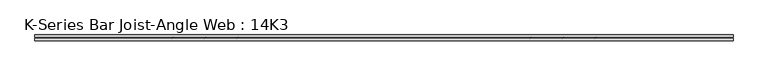
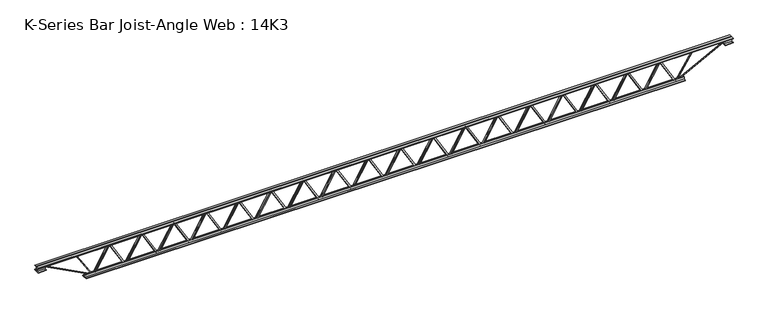
"""IFC4 building model written with IfcOpenShell, lengths in millimetres: beam geometry, K-Series Bar Joist-Angle Web : 14K3."""

from ifc_helpers import new_model, si_unit, frame, origin, place, context, project, spatial, polyline, outline, extrude, faceted_brep, source, transform, mapped, element, save


def k_series_bar_joist_angle_web_14k3_23b7da4c(model_context):
    return source(origin(), model_context, "Body", "SolidModel", [
        extrude(outline(polyline([(-4.7625, 4.7625), (-4.7625, 0.0), (-17.4625, 0.0), (-17.4625, 4.7625), (-4.7625, 4.7625)])), frame((3264.7998926, 0.0, -139.7), z_axis=(-0.5054178199650446, 0.0, 0.8628747459867984), x_axis=(0.0, -1.0, 0.0)), (0.0, 0.0, 1.0), 323.8013412),
        extrude(outline(polyline([(-174.625, 3297.066299), (-155.575, 3297.066299), (-155.575, 3296.1758345), (174.625, 3102.7654178), (174.625, 3084.6058824), (155.575, 3084.6058824), (155.575, 3091.8463469), (-174.625, 3285.2567636), (-174.625, 3297.066299)])), frame((0.0, 0.0, 0.0), z_axis=(0.0, 1.0, 0.0), x_axis=(0.0, 0.0, 1.0)), (0.0, 0.0, 1.0), 4.7625),
        faceted_brep([(2884.8454657, 0.0, -155.575), (2884.8454657, 0.0, -174.625), (2884.8454657, -4.7625, -174.625), (2884.8454657, -4.7625, -155.575), (2885.7359302, 0.0, -155.575), (3079.1463469, 0.0, 174.625), (3097.3058824, 0.0, 174.625), (3097.3058824, 0.0, 155.575), (3090.0654178, 0.0, 155.575), (2896.6550011, 0.0, -174.625), (2896.6550011, -4.7625, -174.625), (2917.1118721, -4.7625, -139.7), (2913.0024312, -4.7625, -137.2929476), (3076.6573991, -4.7625, 142.1070524), (3080.7668401, -4.7625, 139.7), (3090.0654178, -4.7625, 155.575), (3097.3058824, -4.7625, 155.575), (3097.3058824, -4.7625, 174.625), (3079.1463469, -4.7625, 174.625), (2885.7359302, -4.7625, -155.575), (3080.7668401, -17.4625, 139.7), (2917.1118721, -17.4625, -139.7), (2913.0024312, -17.4625, -137.2929476), (3076.6573991, -17.4625, 142.1070524)], [[[0, 1, 2, 3]], [[1, 0, 4, 5, 6, 7, 8, 9]], [[2, 1, 9, 10]], [[3, 2, 10, 11, 12, 13, 14, 15, 16, 17, 18, 19]], [[0, 3, 19, 4]], [[9, 8, 15, 14, 20, 21, 11, 10]], [[5, 4, 19, 18]], [[7, 6, 17, 16]], [[8, 7, 16, 15]], [[6, 5, 18, 17]], [[21, 22, 12, 11]], [[20, 14, 13, 23]], [[22, 21, 20, 23]], [[12, 22, 23, 13]]]),
        extrude(outline(polyline([(-4.7625, 4.7625), (-4.7625, 0.0), (-17.4625, 0.0), (-17.4625, 4.7625), (-4.7625, 4.7625)])), frame((2852.6724416, 0.0, -139.7), z_axis=(-0.5054178199650446, 0.0, 0.8628747459867984), x_axis=(0.0, -1.0, 0.0)), (0.0, 0.0, 1.0), 323.8013412),
        extrude(outline(polyline([(-174.625, 2884.938848), (-155.575, 2884.938848), (-155.575, 2884.0483835), (174.625, 2690.6379668), (174.625, 2672.4784314), (155.575, 2672.4784314), (155.575, 2679.7188959), (-174.625, 2873.1293126), (-174.625, 2884.938848)])), frame((0.0, 0.0, 0.0), z_axis=(0.0, 1.0, 0.0), x_axis=(0.0, 0.0, 1.0)), (0.0, 0.0, 1.0), 4.7625),
        faceted_brep([(2472.7180147, 0.0, -155.575), (2472.7180147, 0.0, -174.625), (2472.7180147, -4.7625, -174.625), (2472.7180147, -4.7625, -155.575), (2473.6084793, 0.0, -155.575), (2667.0188959, 0.0, 174.625), (2685.1784314, 0.0, 174.625), (2685.1784314, 0.0, 155.575), (2677.9379668, 0.0, 155.575), (2484.5275502, 0.0, -174.625), (2484.5275502, -4.7625, -174.625), (2504.9844211, -4.7625, -139.7), (2500.8749802, -4.7625, -137.2929476), (2664.5299481, -4.7625, 142.1070524), (2668.6393891, -4.7625, 139.7), (2677.9379668, -4.7625, 155.575), (2685.1784314, -4.7625, 155.575), (2685.1784314, -4.7625, 174.625), (2667.0188959, -4.7625, 174.625), (2473.6084793, -4.7625, -155.575), (2668.6393891, -17.4625, 139.7), (2504.9844211, -17.4625, -139.7), (2500.8749802, -17.4625, -137.2929476), (2664.5299481, -17.4625, 142.1070524)], [[[0, 1, 2, 3]], [[1, 0, 4, 5, 6, 7, 8, 9]], [[2, 1, 9, 10]], [[3, 2, 10, 11, 12, 13, 14, 15, 16, 17, 18, 19]], [[0, 3, 19, 4]], [[9, 8, 15, 14, 20, 21, 11, 10]], [[5, 4, 19, 18]], [[7, 6, 17, 16]], [[8, 7, 16, 15]], [[6, 5, 18, 17]], [[21, 22, 12, 11]], [[20, 14, 13, 23]], [[22, 21, 20, 23]], [[12, 22, 23, 13]]]),
        extrude(outline(polyline([(-4.7625, 4.7625), (-4.7625, 0.0), (-17.4625, 0.0), (-17.4625, 4.7625), (-4.7625, 4.7625)])), frame((2440.5449906, 0.0, -139.7), z_axis=(-0.5054178199650446, 0.0, 0.8628747459867984), x_axis=(0.0, -1.0, 0.0)), (0.0, 0.0, 1.0), 323.8013412),
        extrude(outline(polyline([(-174.625, 2472.8113971), (-155.575, 2472.8113971), (-155.575, 2471.9209325), (174.625, 2278.5105158), (174.625, 2260.3509804), (155.575, 2260.3509804), (155.575, 2267.5914449), (-174.625, 2461.0018616), (-174.625, 2472.8113971)])), frame((0.0, 0.0, 0.0), z_axis=(0.0, 1.0, 0.0), x_axis=(0.0, 0.0, 1.0)), (0.0, 0.0, 1.0), 4.7625),
        faceted_brep([(2060.5905637, 0.0, -155.575), (2060.5905637, 0.0, -174.625), (2060.5905637, -4.7625, -174.625), (2060.5905637, -4.7625, -155.575), (2061.4810283, 0.0, -155.575), (2254.8914449, 0.0, 174.625), (2273.0509804, 0.0, 174.625), (2273.0509804, 0.0, 155.575), (2265.8105158, 0.0, 155.575), (2072.4000992, 0.0, -174.625), (2072.4000992, -4.7625, -174.625), (2092.8569702, -4.7625, -139.7), (2088.7475292, -4.7625, -137.2929476), (2252.4024971, -4.7625, 142.1070524), (2256.5119381, -4.7625, 139.7), (2265.8105158, -4.7625, 155.575), (2273.0509804, -4.7625, 155.575), (2273.0509804, -4.7625, 174.625), (2254.8914449, -4.7625, 174.625), (2061.4810283, -4.7625, -155.575), (2256.5119381, -17.4625, 139.7), (2092.8569702, -17.4625, -139.7), (2088.7475292, -17.4625, -137.2929476), (2252.4024971, -17.4625, 142.1070524)], [[[0, 1, 2, 3]], [[1, 0, 4, 5, 6, 7, 8, 9]], [[2, 1, 9, 10]], [[3, 2, 10, 11, 12, 13, 14, 15, 16, 17, 18, 19]], [[0, 3, 19, 4]], [[9, 8, 15, 14, 20, 21, 11, 10]], [[5, 4, 19, 18]], [[7, 6, 17, 16]], [[8, 7, 16, 15]], [[6, 5, 18, 17]], [[21, 22, 12, 11]], [[20, 14, 13, 23]], [[22, 21, 20, 23]], [[12, 22, 23, 13]]]),
        extrude(outline(polyline([(-4.7625, 4.7625), (-4.7625, 0.0), (-17.4625, 0.0), (-17.4625, 4.7625), (-4.7625, 4.7625)])), frame((2028.4175396, 0.0, -139.7), z_axis=(-0.5054178199650446, 0.0, 0.8628747459867984), x_axis=(0.0, -1.0, 0.0)), (0.0, 0.0, 1.0), 323.8013412),
        extrude(outline(polyline([(-174.625, 2060.6839461), (-155.575, 2060.6839461), (-155.575, 2059.7934815), (174.625, 1866.3830649), (174.625, 1848.2235294), (155.575, 1848.2235294), (155.575, 1855.463994), (-174.625, 2048.8744106), (-174.625, 2060.6839461)])), frame((0.0, 0.0, 0.0), z_axis=(0.0, 1.0, 0.0), x_axis=(0.0, 0.0, 1.0)), (0.0, 0.0, 1.0), 4.7625),
        faceted_brep([(1648.4631127, 0.0, -155.575), (1648.4631127, 0.0, -174.625), (1648.4631127, -4.7625, -174.625), (1648.4631127, -4.7625, -155.575), (1649.3535773, 0.0, -155.575), (1842.763994, 0.0, 174.625), (1860.9235294, 0.0, 174.625), (1860.9235294, 0.0, 155.575), (1853.6830649, 0.0, 155.575), (1660.2726482, 0.0, -174.625), (1660.2726482, -4.7625, -174.625), (1680.7295192, -4.7625, -139.7), (1676.6200782, -4.7625, -137.2929476), (1840.2750462, -4.7625, 142.1070524), (1844.3844871, -4.7625, 139.7), (1853.6830649, -4.7625, 155.575), (1860.9235294, -4.7625, 155.575), (1860.9235294, -4.7625, 174.625), (1842.763994, -4.7625, 174.625), (1649.3535773, -4.7625, -155.575), (1844.3844871, -17.4625, 139.7), (1680.7295192, -17.4625, -139.7), (1676.6200782, -17.4625, -137.2929476), (1840.2750462, -17.4625, 142.1070524)], [[[0, 1, 2, 3]], [[1, 0, 4, 5, 6, 7, 8, 9]], [[2, 1, 9, 10]], [[3, 2, 10, 11, 12, 13, 14, 15, 16, 17, 18, 19]], [[0, 3, 19, 4]], [[9, 8, 15, 14, 20, 21, 11, 10]], [[5, 4, 19, 18]], [[7, 6, 17, 16]], [[8, 7, 16, 15]], [[6, 5, 18, 17]], [[21, 22, 12, 11]], [[20, 14, 13, 23]], [[22, 21, 20, 23]], [[12, 22, 23, 13]]]),
        extrude(outline(polyline([(-4.7625, 4.7624999), (-4.7625, 0.0), (-17.4625, 0.0), (-17.4625, 4.7624999), (-4.7625, 4.7624999)])), frame((1616.2900887, 0.0, -139.7), z_axis=(-0.5054178199650446, 0.0, 0.8628747459867984), x_axis=(0.0, -1.0, 0.0)), (0.0, 0.0, 1.0), 323.8013412),
        extrude(outline(polyline([(-174.625, 1648.5564951), (-155.575, 1648.5564951), (-155.575, 1647.6660305), (174.625, 1454.2556139), (174.625, 1436.0960784), (155.575, 1436.0960784), (155.575, 1443.336543), (-174.625, 1636.7469596), (-174.625, 1648.5564951)])), frame((0.0, 0.0, 0.0), z_axis=(0.0, 1.0, 0.0), x_axis=(0.0, 0.0, 1.0)), (0.0, 0.0, 1.0), 4.7625),
        faceted_brep([(1236.3356618, 0.0, -155.575), (1236.3356618, 0.0, -174.625), (1236.3356618, -4.7625, -174.625), (1236.3356618, -4.7625, -155.575), (1237.2261263, 0.0, -155.575), (1430.636543, 0.0, 174.625), (1448.7960784, 0.0, 174.625), (1448.7960784, 0.0, 155.575), (1441.5556139, 0.0, 155.575), (1248.1451972, 0.0, -174.625), (1248.1451972, -4.7625, -174.625), (1268.6020682, -4.7625, -139.7), (1264.4926272, -4.7625, -137.2929476), (1428.1475952, -4.7625, 142.1070524), (1432.2570362, -4.7625, 139.7), (1441.5556139, -4.7625, 155.575), (1448.7960784, -4.7625, 155.575), (1448.7960784, -4.7625, 174.625), (1430.636543, -4.7625, 174.625), (1237.2261263, -4.7625, -155.575), (1432.2570362, -17.4625, 139.7), (1268.6020682, -17.4625, -139.7), (1264.4926272, -17.4625, -137.2929476), (1428.1475952, -17.4625, 142.1070524)], [[[0, 1, 2, 3]], [[1, 0, 4, 5, 6, 7, 8, 9]], [[2, 1, 9, 10]], [[3, 2, 10, 11, 12, 13, 14, 15, 16, 17, 18, 19]], [[0, 3, 19, 4]], [[9, 8, 15, 14, 20, 21, 11, 10]], [[5, 4, 19, 18]], [[7, 6, 17, 16]], [[8, 7, 16, 15]], [[6, 5, 18, 17]], [[21, 22, 12, 11]], [[20, 14, 13, 23]], [[22, 21, 20, 23]], [[12, 22, 23, 13]]]),
        extrude(outline(polyline([(-4.7625, 4.7625), (-4.7625, 0.0), (-17.4625, 0.0), (-17.4625, 4.7625), (-4.7625, 4.7625)])), frame((1204.1626377, 0.0, -139.7), z_axis=(-0.5054178199650446, 0.0, 0.8628747459867984), x_axis=(0.0, -1.0, 0.0)), (0.0, 0.0, 1.0), 323.8013412),
        extrude(outline(polyline([(-174.625, 1236.4290441), (-155.575, 1236.4290441), (-155.575, 1235.5385796), (174.625, 1042.1281629), (174.625, 1023.9686275), (155.575, 1023.9686275), (155.575, 1031.209092), (-174.625, 1224.6195087), (-174.625, 1236.4290441)])), frame((0.0, 0.0, 0.0), z_axis=(0.0, 1.0, 0.0), x_axis=(0.0, 0.0, 1.0)), (0.0, 0.0, 1.0), 4.7625),
        faceted_brep([(824.2082108, 0.0, -155.575), (824.2082108, 0.0, -174.625), (824.2082108, -4.7625, -174.625), (824.2082108, -4.7625, -155.575), (825.0986753, 0.0, -155.575), (1018.509092, 0.0, 174.625), (1036.6686275, 0.0, 174.625), (1036.6686275, 0.0, 155.575), (1029.4281629, 0.0, 155.575), (836.0177462, 0.0, -174.625), (836.0177462, -4.7625, -174.625), (856.4746172, -4.7625, -139.7), (852.3651763, -4.7625, -137.2929476), (1016.0201442, -4.7625, 142.1070524), (1020.1295852, -4.7625, 139.7), (1029.4281629, -4.7625, 155.575), (1036.6686275, -4.7625, 155.575), (1036.6686275, -4.7625, 174.625), (1018.509092, -4.7625, 174.625), (825.0986753, -4.7625, -155.575), (1020.1295852, -17.4625, 139.7), (856.4746172, -17.4625, -139.7), (852.3651763, -17.4625, -137.2929476), (1016.0201442, -17.4625, 142.1070524)], [[[0, 1, 2, 3]], [[1, 0, 4, 5, 6, 7, 8, 9]], [[2, 1, 9, 10]], [[3, 2, 10, 11, 12, 13, 14, 15, 16, 17, 18, 19]], [[0, 3, 19, 4]], [[9, 8, 15, 14, 20, 21, 11, 10]], [[5, 4, 19, 18]], [[7, 6, 17, 16]], [[8, 7, 16, 15]], [[6, 5, 18, 17]], [[21, 22, 12, 11]], [[20, 14, 13, 23]], [[22, 21, 20, 23]], [[12, 22, 23, 13]]]),
        extrude(outline(polyline([(-4.7625, 4.7625), (-4.7625, 0.0), (-17.4625, 0.0), (-17.4625, 4.7625), (-4.7625, 4.7625)])), frame((792.0351867, 0.0, -139.7), z_axis=(-0.5054178199650446, 0.0, 0.8628747459867984), x_axis=(0.0, -1.0, 0.0)), (0.0, 0.0, 1.0), 323.8013412),
        extrude(outline(polyline([(-174.625, 824.3015931), (-155.575, 824.3015931), (-155.575, 823.4111286), (174.625, 630.0007119), (174.625, 611.8411765), (155.575, 611.8411765), (155.575, 619.081641), (-174.625, 812.4920577), (-174.625, 824.3015931)])), frame((0.0, 0.0, 0.0), z_axis=(0.0, 1.0, 0.0), x_axis=(0.0, 0.0, 1.0)), (0.0, 0.0, 1.0), 4.7625),
        faceted_brep([(412.0807598, 0.0, -155.575), (412.0807598, 0.0, -174.625), (412.0807598, -4.7625, -174.625), (412.0807598, -4.7625, -155.575), (412.9712244, 0.0, -155.575), (606.381641, 0.0, 174.625), (624.5411765, 0.0, 174.625), (624.5411765, 0.0, 155.575), (617.3007119, 0.0, 155.575), (423.8902953, 0.0, -174.625), (423.8902953, -4.7625, -174.625), (444.3471662, -4.7625, -139.7), (440.2377253, -4.7625, -137.2929476), (603.8926932, -4.7625, 142.1070524), (608.0021342, -4.7625, 139.7), (617.3007119, -4.7625, 155.575), (624.5411765, -4.7625, 155.575), (624.5411765, -4.7625, 174.625), (606.381641, -4.7625, 174.625), (412.9712244, -4.7625, -155.575), (608.0021342, -17.4625, 139.7), (444.3471662, -17.4625, -139.7), (440.2377253, -17.4625, -137.2929476), (603.8926932, -17.4625, 142.1070524)], [[[0, 1, 2, 3]], [[1, 0, 4, 5, 6, 7, 8, 9]], [[2, 1, 9, 10]], [[3, 2, 10, 11, 12, 13, 14, 15, 16, 17, 18, 19]], [[0, 3, 19, 4]], [[9, 8, 15, 14, 20, 21, 11, 10]], [[5, 4, 19, 18]], [[7, 6, 17, 16]], [[8, 7, 16, 15]], [[6, 5, 18, 17]], [[21, 22, 12, 11]], [[20, 14, 13, 23]], [[22, 21, 20, 23]], [[12, 22, 23, 13]]]),
        extrude(outline(polyline([(-4.7625, 4.7625), (-4.7625, 0.0), (-17.4625, 0.0), (-17.4625, 4.7625), (-4.7625, 4.7625)])), frame((379.9077357, 0.0, -139.7), z_axis=(-0.5054178199650446, 0.0, 0.8628747459867984), x_axis=(0.0, -1.0, 0.0)), (0.0, 0.0, 1.0), 323.8013412),
        extrude(outline(polyline([(-174.625, 412.1741422), (-155.575, 412.1741422), (-155.575, 411.2836776), (174.625, 217.8732609), (174.625, 199.7137255), (155.575, 199.7137255), (155.575, 206.95419), (-174.625, 400.3646067), (-174.625, 412.1741422)])), frame((0.0, 0.0, 0.0), z_axis=(0.0, 1.0, 0.0), x_axis=(0.0, 0.0, 1.0)), (0.0, 0.0, 1.0), 4.7625),
        faceted_brep([(-0.0466912, 0.0, -155.575), (-0.0466912, 0.0, -174.625), (-0.0466912, -4.7625, -174.625), (-0.0466912, -4.7625, -155.575), (0.8437734, 0.0, -155.575), (194.25419, 0.0, 174.625), (212.4137255, 0.0, 174.625), (212.4137255, 0.0, 155.575), (205.1732609, 0.0, 155.575), (11.7628443, 0.0, -174.625), (11.7628443, -4.7625, -174.625), (32.2197153, -4.7625, -139.7), (28.1102743, -4.7625, -137.2929476), (191.7652422, -4.7625, 142.1070524), (195.8746832, -4.7625, 139.7), (205.1732609, -4.7625, 155.575), (212.4137255, -4.7625, 155.575), (212.4137255, -4.7625, 174.625), (194.25419, -4.7625, 174.625), (0.8437734, -4.7625, -155.575), (195.8746832, -17.4625, 139.7), (32.2197153, -17.4625, -139.7), (28.1102743, -17.4625, -137.2929476), (191.7652422, -17.4625, 142.1070524)], [[[0, 1, 2, 3]], [[1, 0, 4, 5, 6, 7, 8, 9]], [[2, 1, 9, 10]], [[3, 2, 10, 11, 12, 13, 14, 15, 16, 17, 18, 19]], [[0, 3, 19, 4]], [[9, 8, 15, 14, 20, 21, 11, 10]], [[5, 4, 19, 18]], [[7, 6, 17, 16]], [[8, 7, 16, 15]], [[6, 5, 18, 17]], [[21, 22, 12, 11]], [[20, 14, 13, 23]], [[22, 21, 20, 23]], [[12, 22, 23, 13]]]),
        extrude(outline(polyline([(-4.7625, 4.7625), (-4.7625, 0.0), (-17.4625, 0.0), (-17.4625, 4.7625), (-4.7625, 4.7625)])), frame((-32.2197153, 0.0, -139.7), z_axis=(-0.5054178199650446, 0.0, 0.8628747459867984), x_axis=(0.0, -1.0, 0.0)), (0.0, 0.0, 1.0), 323.8013412),
        extrude(outline(polyline([(-174.625, 0.0466912), (-155.575, 0.0466912), (-155.575, -0.8437734), (174.625, -194.25419), (174.625, -212.4137255), (155.575, -212.4137255), (155.575, -205.1732609), (-174.625, -11.7628443), (-174.625, 0.0466912)])), frame((0.0, 0.0, 0.0), z_axis=(0.0, 1.0, 0.0), x_axis=(0.0, 0.0, 1.0)), (0.0, 0.0, 1.0), 4.7625),
        faceted_brep([(-412.1741422, 0.0, -155.575), (-412.1741422, 0.0, -174.625), (-412.1741422, -4.7625, -174.625), (-412.1741422, -4.7625, -155.575), (-411.2836776, 0.0, -155.575), (-217.8732609, 0.0, 174.625), (-199.7137255, 0.0, 174.625), (-199.7137255, 0.0, 155.575), (-206.95419, 0.0, 155.575), (-400.3646067, 0.0, -174.625), (-400.3646067, -4.7625, -174.625), (-379.9077357, -4.7625, -139.7), (-384.0171767, -4.7625, -137.2929476), (-220.3622087, -4.7625, 142.1070524), (-216.2527678, -4.7625, 139.7), (-206.95419, -4.7625, 155.575), (-199.7137255, -4.7625, 155.575), (-199.7137255, -4.7625, 174.625), (-217.8732609, -4.7625, 174.625), (-411.2836776, -4.7625, -155.575), (-216.2527678, -17.4625, 139.7), (-379.9077357, -17.4625, -139.7), (-384.0171767, -17.4625, -137.2929476), (-220.3622087, -17.4625, 142.1070524)], [[[0, 1, 2, 3]], [[1, 0, 4, 5, 6, 7, 8, 9]], [[2, 1, 9, 10]], [[3, 2, 10, 11, 12, 13, 14, 15, 16, 17, 18, 19]], [[0, 3, 19, 4]], [[9, 8, 15, 14, 20, 21, 11, 10]], [[5, 4, 19, 18]], [[7, 6, 17, 16]], [[8, 7, 16, 15]], [[6, 5, 18, 17]], [[21, 22, 12, 11]], [[20, 14, 13, 23]], [[22, 21, 20, 23]], [[12, 22, 23, 13]]]),
        extrude(outline(polyline([(-4.7625, 4.7624999), (-4.7625, 0.0), (-17.4625, 0.0), (-17.4625, 4.7624999), (-4.7625, 4.7624999)])), frame((-444.3471662, 0.0, -139.7), z_axis=(-0.5054178199650446, 0.0, 0.8628747459867984), x_axis=(0.0, -1.0, 0.0)), (0.0, 0.0, 1.0), 323.8013412),
        extrude(outline(polyline([(-174.625, -412.0807598), (-155.575, -412.0807598), (-155.575, -412.9712244), (174.625, -606.381641), (174.625, -624.5411765), (155.575, -624.5411765), (155.575, -617.3007119), (-174.625, -423.8902953), (-174.625, -412.0807598)])), frame((0.0, 0.0, 0.0), z_axis=(0.0, 1.0, 0.0), x_axis=(0.0, 0.0, 1.0)), (0.0, 0.0, 1.0), 4.7625),
        faceted_brep([(-824.3015931, 0.0, -155.575), (-824.3015931, 0.0, -174.625), (-824.3015931, -4.7625, -174.625), (-824.3015931, -4.7625, -155.575), (-823.4111286, 0.0, -155.575), (-630.0007119, 0.0, 174.625), (-611.8411765, 0.0, 174.625), (-611.8411765, 0.0, 155.575), (-619.081641, 0.0, 155.575), (-812.4920577, 0.0, -174.625), (-812.4920577, -4.7625, -174.625), (-792.0351867, -4.7625, -139.7), (-796.1446277, -4.7625, -137.2929476), (-632.4896597, -4.7625, 142.1070524), (-628.3802187, -4.7625, 139.7), (-619.081641, -4.7625, 155.575), (-611.8411765, -4.7625, 155.575), (-611.8411765, -4.7625, 174.625), (-630.0007119, -4.7625, 174.625), (-823.4111286, -4.7625, -155.575), (-628.3802187, -17.4625, 139.7), (-792.0351867, -17.4625, -139.7), (-796.1446277, -17.4625, -137.2929476), (-632.4896597, -17.4625, 142.1070524)], [[[0, 1, 2, 3]], [[1, 0, 4, 5, 6, 7, 8, 9]], [[2, 1, 9, 10]], [[3, 2, 10, 11, 12, 13, 14, 15, 16, 17, 18, 19]], [[0, 3, 19, 4]], [[9, 8, 15, 14, 20, 21, 11, 10]], [[5, 4, 19, 18]], [[7, 6, 17, 16]], [[8, 7, 16, 15]], [[6, 5, 18, 17]], [[21, 22, 12, 11]], [[20, 14, 13, 23]], [[22, 21, 20, 23]], [[12, 22, 23, 13]]]),
        extrude(outline(polyline([(-4.7625, 4.7624999), (-4.7625, 0.0), (-17.4625, 0.0), (-17.4625, 4.7624999), (-4.7625, 4.7624999)])), frame((-856.4746172, 0.0, -139.7), z_axis=(-0.5054178199650446, 0.0, 0.8628747459867984), x_axis=(0.0, -1.0, 0.0)), (0.0, 0.0, 1.0), 323.8013412),
        extrude(outline(polyline([(-174.625, -824.2082108), (-155.575, -824.2082108), (-155.575, -825.0986753), (174.625, -1018.509092), (174.625, -1036.6686275), (155.575, -1036.6686275), (155.575, -1029.4281629), (-174.625, -836.0177462), (-174.625, -824.2082108)])), frame((0.0, 0.0, 0.0), z_axis=(0.0, 1.0, 0.0), x_axis=(0.0, 0.0, 1.0)), (0.0, 0.0, 1.0), 4.7625),
        faceted_brep([(-1236.4290441, 0.0, -155.575), (-1236.4290441, 0.0, -174.625), (-1236.4290441, -4.7625, -174.625), (-1236.4290441, -4.7625, -155.575), (-1235.5385796, 0.0, -155.575), (-1042.1281629, 0.0, 174.625), (-1023.9686275, 0.0, 174.625), (-1023.9686275, 0.0, 155.575), (-1031.209092, 0.0, 155.575), (-1224.6195087, 0.0, -174.625), (-1224.6195087, -4.7625, -174.625), (-1204.1626377, -4.7625, -139.7), (-1208.2720787, -4.7625, -137.2929476), (-1044.6171107, -4.7625, 142.1070524), (-1040.5076697, -4.7625, 139.7), (-1031.209092, -4.7625, 155.575), (-1023.9686275, -4.7625, 155.575), (-1023.9686275, -4.7625, 174.625), (-1042.1281629, -4.7625, 174.625), (-1235.5385796, -4.7625, -155.575), (-1040.5076697, -17.4625, 139.7), (-1204.1626377, -17.4625, -139.7), (-1208.2720787, -17.4625, -137.2929476), (-1044.6171107, -17.4625, 142.1070524)], [[[0, 1, 2, 3]], [[1, 0, 4, 5, 6, 7, 8, 9]], [[2, 1, 9, 10]], [[3, 2, 10, 11, 12, 13, 14, 15, 16, 17, 18, 19]], [[0, 3, 19, 4]], [[9, 8, 15, 14, 20, 21, 11, 10]], [[5, 4, 19, 18]], [[7, 6, 17, 16]], [[8, 7, 16, 15]], [[6, 5, 18, 17]], [[21, 22, 12, 11]], [[20, 14, 13, 23]], [[22, 21, 20, 23]], [[12, 22, 23, 13]]]),
        extrude(outline(polyline([(-4.7625, 4.7625), (-4.7625, 0.0), (-17.4625, 0.0), (-17.4625, 4.7625), (-4.7625, 4.7625)])), frame((-1268.6020682, 0.0, -139.7), z_axis=(-0.5054178199650446, 0.0, 0.8628747459867984), x_axis=(0.0, -1.0, 0.0)), (0.0, 0.0, 1.0), 323.8013412),
        extrude(outline(polyline([(-174.625, -1236.3356618), (-155.575, -1236.3356618), (-155.575, -1237.2261263), (174.625, -1430.636543), (174.625, -1448.7960784), (155.575, -1448.7960784), (155.575, -1441.5556139), (-174.625, -1248.1451972), (-174.625, -1236.3356618)])), frame((0.0, 0.0, 0.0), z_axis=(0.0, 1.0, 0.0), x_axis=(0.0, 0.0, 1.0)), (0.0, 0.0, 1.0), 4.7625),
        faceted_brep([(-1648.5564951, 0.0, -155.575), (-1648.5564951, 0.0, -174.625), (-1648.5564951, -4.7625, -174.625), (-1648.5564951, -4.7625, -155.575), (-1647.6660305, 0.0, -155.575), (-1454.2556139, 0.0, 174.625), (-1436.0960784, 0.0, 174.625), (-1436.0960784, 0.0, 155.575), (-1443.336543, 0.0, 155.575), (-1636.7469596, 0.0, -174.625), (-1636.7469596, -4.7625, -174.625), (-1616.2900887, -4.7625, -139.7), (-1620.3995296, -4.7625, -137.2929476), (-1456.7445617, -4.7625, 142.1070524), (-1452.6351207, -4.7625, 139.7), (-1443.336543, -4.7625, 155.575), (-1436.0960784, -4.7625, 155.575), (-1436.0960784, -4.7625, 174.625), (-1454.2556139, -4.7625, 174.625), (-1647.6660305, -4.7625, -155.575), (-1452.6351207, -17.4625, 139.7), (-1616.2900887, -17.4625, -139.7), (-1620.3995296, -17.4625, -137.2929476), (-1456.7445617, -17.4625, 142.1070524)], [[[0, 1, 2, 3]], [[1, 0, 4, 5, 6, 7, 8, 9]], [[2, 1, 9, 10]], [[3, 2, 10, 11, 12, 13, 14, 15, 16, 17, 18, 19]], [[0, 3, 19, 4]], [[9, 8, 15, 14, 20, 21, 11, 10]], [[5, 4, 19, 18]], [[7, 6, 17, 16]], [[8, 7, 16, 15]], [[6, 5, 18, 17]], [[21, 22, 12, 11]], [[20, 14, 13, 23]], [[22, 21, 20, 23]], [[12, 22, 23, 13]]]),
        extrude(outline(polyline([(-4.7625, 4.7625), (-4.7625, 0.0), (-17.4625, 0.0), (-17.4625, 4.7625), (-4.7625, 4.7625)])), frame((-1680.7295192, 0.0, -139.7), z_axis=(-0.5054178199650446, 0.0, 0.8628747459867984), x_axis=(0.0, -1.0, 0.0)), (0.0, 0.0, 1.0), 323.8013412),
        extrude(outline(polyline([(-174.625, -1648.4631127), (-155.575, -1648.4631127), (-155.575, -1649.3535773), (174.625, -1842.763994), (174.625, -1860.9235294), (155.575, -1860.9235294), (155.575, -1853.6830649), (-174.625, -1660.2726482), (-174.625, -1648.4631127)])), frame((0.0, 0.0, 0.0), z_axis=(0.0, 1.0, 0.0), x_axis=(0.0, 0.0, 1.0)), (0.0, 0.0, 1.0), 4.7625),
        faceted_brep([(-2060.6839461, 0.0, -155.575), (-2060.6839461, 0.0, -174.625), (-2060.6839461, -4.7625, -174.625), (-2060.6839461, -4.7625, -155.575), (-2059.7934815, 0.0, -155.575), (-1866.3830649, 0.0, 174.625), (-1848.2235294, 0.0, 174.625), (-1848.2235294, 0.0, 155.575), (-1855.463994, 0.0, 155.575), (-2048.8744106, 0.0, -174.625), (-2048.8744106, -4.7625, -174.625), (-2028.4175396, -4.7625, -139.7), (-2032.5269806, -4.7625, -137.2929476), (-1868.8720127, -4.7625, 142.1070524), (-1864.7625717, -4.7625, 139.7), (-1855.463994, -4.7625, 155.575), (-1848.2235294, -4.7625, 155.575), (-1848.2235294, -4.7625, 174.625), (-1866.3830649, -4.7625, 174.625), (-2059.7934815, -4.7625, -155.575), (-1864.7625717, -17.4625, 139.7), (-2028.4175396, -17.4625, -139.7), (-2032.5269806, -17.4625, -137.2929476), (-1868.8720127, -17.4625, 142.1070524)], [[[0, 1, 2, 3]], [[1, 0, 4, 5, 6, 7, 8, 9]], [[2, 1, 9, 10]], [[3, 2, 10, 11, 12, 13, 14, 15, 16, 17, 18, 19]], [[0, 3, 19, 4]], [[9, 8, 15, 14, 20, 21, 11, 10]], [[5, 4, 19, 18]], [[7, 6, 17, 16]], [[8, 7, 16, 15]], [[6, 5, 18, 17]], [[21, 22, 12, 11]], [[20, 14, 13, 23]], [[22, 21, 20, 23]], [[12, 22, 23, 13]]]),
        extrude(outline(polyline([(-4.7625, 4.7625), (-4.7625, 0.0), (-17.4625, 0.0), (-17.4625, 4.7625), (-4.7625, 4.7625)])), frame((-2092.8569702, 0.0, -139.7), z_axis=(-0.5054178199650446, 0.0, 0.8628747459867984), x_axis=(0.0, -1.0, 0.0)), (0.0, 0.0, 1.0), 323.8013412),
        extrude(outline(polyline([(-174.625, -2060.5905637), (-155.575, -2060.5905637), (-155.575, -2061.4810283), (174.625, -2254.8914449), (174.625, -2273.0509804), (155.575, -2273.0509804), (155.575, -2265.8105158), (-174.625, -2072.4000992), (-174.625, -2060.5905637)])), frame((0.0, 0.0, 0.0), z_axis=(0.0, 1.0, 0.0), x_axis=(0.0, 0.0, 1.0)), (0.0, 0.0, 1.0), 4.7625),
        faceted_brep([(-2472.8113971, 0.0, -155.575), (-2472.8113971, 0.0, -174.625), (-2472.8113971, -4.7625, -174.625), (-2472.8113971, -4.7625, -155.575), (-2471.9209325, 0.0, -155.575), (-2278.5105158, 0.0, 174.625), (-2260.3509804, 0.0, 174.625), (-2260.3509804, 0.0, 155.575), (-2267.5914449, 0.0, 155.575), (-2461.0018616, 0.0, -174.625), (-2461.0018616, -4.7625, -174.625), (-2440.5449906, -4.7625, -139.7), (-2444.6544316, -4.7625, -137.2929476), (-2280.9994636, -4.7625, 142.1070524), (-2276.8900227, -4.7625, 139.7), (-2267.5914449, -4.7625, 155.575), (-2260.3509804, -4.7625, 155.575), (-2260.3509804, -4.7625, 174.625), (-2278.5105158, -4.7625, 174.625), (-2471.9209325, -4.7625, -155.575), (-2276.8900227, -17.4625, 139.7), (-2440.5449906, -17.4625, -139.7), (-2444.6544316, -17.4625, -137.2929476), (-2280.9994636, -17.4625, 142.1070524)], [[[0, 1, 2, 3]], [[1, 0, 4, 5, 6, 7, 8, 9]], [[2, 1, 9, 10]], [[3, 2, 10, 11, 12, 13, 14, 15, 16, 17, 18, 19]], [[0, 3, 19, 4]], [[9, 8, 15, 14, 20, 21, 11, 10]], [[5, 4, 19, 18]], [[7, 6, 17, 16]], [[8, 7, 16, 15]], [[6, 5, 18, 17]], [[21, 22, 12, 11]], [[20, 14, 13, 23]], [[22, 21, 20, 23]], [[12, 22, 23, 13]]]),
        extrude(outline(polyline([(-4.7625, 4.7624999), (-4.7625, 0.0), (-17.4625, 0.0), (-17.4625, 4.7624999), (-4.7625, 4.7624999)])), frame((-2504.9844211, 0.0, -139.7), z_axis=(-0.5054178199650446, 0.0, 0.8628747459867984), x_axis=(0.0, -1.0, 0.0)), (0.0, 0.0, 1.0), 323.8013412),
        extrude(outline(polyline([(-174.625, -2472.7180147), (-155.575, -2472.7180147), (-155.575, -2473.6084793), (174.625, -2667.0188959), (174.625, -2685.1784314), (155.575, -2685.1784314), (155.575, -2677.9379668), (-174.625, -2484.5275502), (-174.625, -2472.7180147)])), frame((0.0, 0.0, 0.0), z_axis=(0.0, 1.0, 0.0), x_axis=(0.0, 0.0, 1.0)), (0.0, 0.0, 1.0), 4.7625),
        faceted_brep([(-2884.938848, 0.0, -155.575), (-2884.938848, 0.0, -174.625), (-2884.938848, -4.7625, -174.625), (-2884.938848, -4.7625, -155.575), (-2884.0483835, 0.0, -155.575), (-2690.6379668, 0.0, 174.625), (-2672.4784314, 0.0, 174.625), (-2672.4784314, 0.0, 155.575), (-2679.7188959, 0.0, 155.575), (-2873.1293126, 0.0, -174.625), (-2873.1293126, -4.7625, -174.625), (-2852.6724416, -4.7625, -139.7), (-2856.7818826, -4.7625, -137.2929476), (-2693.1269146, -4.7625, 142.1070524), (-2689.0174736, -4.7625, 139.7), (-2679.7188959, -4.7625, 155.575), (-2672.4784314, -4.7625, 155.575), (-2672.4784314, -4.7625, 174.625), (-2690.6379668, -4.7625, 174.625), (-2884.0483835, -4.7625, -155.575), (-2689.0174736, -17.4625, 139.7), (-2852.6724416, -17.4625, -139.7), (-2856.7818826, -17.4625, -137.2929476), (-2693.1269146, -17.4625, 142.1070524)], [[[0, 1, 2, 3]], [[1, 0, 4, 5, 6, 7, 8, 9]], [[2, 1, 9, 10]], [[3, 2, 10, 11, 12, 13, 14, 15, 16, 17, 18, 19]], [[0, 3, 19, 4]], [[9, 8, 15, 14, 20, 21, 11, 10]], [[5, 4, 19, 18]], [[7, 6, 17, 16]], [[8, 7, 16, 15]], [[6, 5, 18, 17]], [[21, 22, 12, 11]], [[20, 14, 13, 23]], [[22, 21, 20, 23]], [[12, 22, 23, 13]]]),
        extrude(outline(polyline([(-4.7625, 4.7624999), (-4.7625, 0.0), (-17.4625, 0.0), (-17.4625, 4.7624999), (-4.7625, 4.7624999)])), frame((-2917.1118721, 0.0, -139.7), z_axis=(-0.5054178199650446, 0.0, 0.8628747459867984), x_axis=(0.0, -1.0, 0.0)), (0.0, 0.0, 1.0), 323.8013412),
        extrude(outline(polyline([(-174.625, -2884.8454657), (-155.575, -2884.8454657), (-155.575, -2885.7359302), (174.625, -3079.1463469), (174.625, -3097.3058824), (155.575, -3097.3058824), (155.575, -3090.0654178), (-174.625, -2896.6550011), (-174.625, -2884.8454657)])), frame((0.0, 0.0, 0.0), z_axis=(0.0, 1.0, 0.0), x_axis=(0.0, 0.0, 1.0)), (0.0, 0.0, 1.0), 4.7625),
        faceted_brep([(-3297.066299, 0.0, -155.575), (-3297.066299, 0.0, -174.625), (-3297.066299, -4.7625, -174.625), (-3297.066299, -4.7625, -155.575), (-3296.1758345, 0.0, -155.575), (-3102.7654178, 0.0, 174.625), (-3084.6058824, 0.0, 174.625), (-3084.6058824, 0.0, 155.575), (-3091.8463469, 0.0, 155.575), (-3285.2567636, 0.0, -174.625), (-3285.2567636, -4.7625, -174.625), (-3264.7998926, -4.7625, -139.7), (-3268.9093336, -4.7625, -137.2929476), (-3105.2543656, -4.7625, 142.1070524), (-3101.1449246, -4.7625, 139.7), (-3091.8463469, -4.7625, 155.575), (-3084.6058824, -4.7625, 155.575), (-3084.6058824, -4.7625, 174.625), (-3102.7654178, -4.7625, 174.625), (-3296.1758345, -4.7625, -155.575), (-3101.1449246, -17.4625, 139.7), (-3264.7998926, -17.4625, -139.7), (-3268.9093336, -17.4625, -137.2929476), (-3105.2543656, -17.4625, 142.1070524)], [[[0, 1, 2, 3]], [[1, 0, 4, 5, 6, 7, 8, 9]], [[2, 1, 9, 10]], [[3, 2, 10, 11, 12, 13, 14, 15, 16, 17, 18, 19]], [[0, 3, 19, 4]], [[9, 8, 15, 14, 20, 21, 11, 10]], [[5, 4, 19, 18]], [[7, 6, 17, 16]], [[8, 7, 16, 15]], [[6, 5, 18, 17]], [[21, 22, 12, 11]], [[20, 14, 13, 23]], [[22, 21, 20, 23]], [[12, 22, 23, 13]]]),
        extrude(outline(polyline([(-4.7625, 4.7624999), (-4.7625, 0.0), (-17.4625, 0.0), (-17.4625, 4.7624999), (-4.7625, 4.7624999)])), frame((3676.9273436, 0.0, -139.7), z_axis=(-0.5054178199650446, 0.0, 0.8628747459867984), x_axis=(0.0, -1.0, 0.0)), (0.0, 0.0, 1.0), 323.8013412),
        extrude(outline(polyline([(-174.625, 3709.19375), (-155.575, 3709.19375), (-155.575, 3708.3032855), (174.625, 3514.8928688), (174.625, 3496.7333333), (155.575, 3496.7333333), (155.575, 3503.9737979), (-174.625, 3697.3842145), (-174.625, 3709.19375)])), frame((0.0, 0.0, 0.0), z_axis=(0.0, 1.0, 0.0), x_axis=(0.0, 0.0, 1.0)), (0.0, 0.0, 1.0), 4.7625),
        faceted_brep([(3296.9729167, 0.0, -155.575), (3296.9729167, 0.0, -174.625), (3296.9729167, -4.7625, -174.625), (3296.9729167, -4.7625, -155.575), (3297.8633812, 0.0, -155.575), (3491.2737979, 0.0, 174.625), (3509.4333333, 0.0, 174.625), (3509.4333333, 0.0, 155.575), (3502.1928688, 0.0, 155.575), (3308.7824521, 0.0, -174.625), (3308.7824521, -4.7625, -174.625), (3329.2393231, -4.7625, -139.7), (3325.1298821, -4.7625, -137.2929476), (3488.7848501, -4.7625, 142.1070524), (3492.8942911, -4.7625, 139.7), (3502.1928688, -4.7625, 155.575), (3509.4333333, -4.7625, 155.575), (3509.4333333, -4.7625, 174.625), (3491.2737979, -4.7625, 174.625), (3297.8633812, -4.7625, -155.575), (3492.8942911, -17.4625, 139.7), (3329.2393231, -17.4625, -139.7), (3325.1298821, -17.4625, -137.2929476), (3488.7848501, -17.4625, 142.1070524)], [[[0, 1, 2, 3]], [[1, 0, 4, 5, 6, 7, 8, 9]], [[2, 1, 9, 10]], [[3, 2, 10, 11, 12, 13, 14, 15, 16, 17, 18, 19]], [[0, 3, 19, 4]], [[9, 8, 15, 14, 20, 21, 11, 10]], [[5, 4, 19, 18]], [[7, 6, 17, 16]], [[8, 7, 16, 15]], [[6, 5, 18, 17]], [[21, 22, 12, 11]], [[20, 14, 13, 23]], [[22, 21, 20, 23]], [[12, 22, 23, 13]]]),
        extrude(outline(polyline([(-4.7625, 4.7625), (-4.7625, 0.0), (-17.4625, 0.0), (-17.4625, 4.7625), (-4.7625, 4.7625)])), frame((-3329.2393231, 0.0, -139.7), z_axis=(-0.5054178199650446, 0.0, 0.8628747459867984), x_axis=(0.0, -1.0, 0.0)), (0.0, 0.0, 1.0), 323.8013412),
        extrude(outline(polyline([(-174.625, -3296.9729167), (-155.575, -3296.9729167), (-155.575, -3297.8633812), (174.625, -3491.2737979), (174.625, -3509.4333333), (155.575, -3509.4333333), (155.575, -3502.1928688), (-174.625, -3308.7824521), (-174.625, -3296.9729167)])), frame((0.0, 0.0, 0.0), z_axis=(0.0, 1.0, 0.0), x_axis=(0.0, 0.0, 1.0)), (0.0, 0.0, 1.0), 4.7625),
        faceted_brep([(-3709.19375, 0.0, -155.575), (-3709.19375, 0.0, -174.625), (-3709.19375, -4.7625, -174.625), (-3709.19375, -4.7625, -155.575), (-3708.3032855, 0.0, -155.575), (-3514.8928688, 0.0, 174.625), (-3496.7333333, 0.0, 174.625), (-3496.7333333, 0.0, 155.575), (-3503.9737979, 0.0, 155.575), (-3697.3842145, 0.0, -174.625), (-3697.3842145, -4.7625, -174.625), (-3676.9273436, -4.7625, -139.7), (-3681.0367845, -4.7625, -137.2929476), (-3517.3818166, -4.7625, 142.1070524), (-3513.2723756, -4.7625, 139.7), (-3503.9737979, -4.7625, 155.575), (-3496.7333333, -4.7625, 155.575), (-3496.7333333, -4.7625, 174.625), (-3514.8928688, -4.7625, 174.625), (-3708.3032855, -4.7625, -155.575), (-3513.2723756, -17.4625, 139.7), (-3676.9273436, -17.4625, -139.7), (-3681.0367845, -17.4625, -137.2929476), (-3517.3818166, -17.4625, 142.1070524)], [[[0, 1, 2, 3]], [[1, 0, 4, 5, 6, 7, 8, 9]], [[2, 1, 9, 10]], [[3, 2, 10, 11, 12, 13, 14, 15, 16, 17, 18, 19]], [[0, 3, 19, 4]], [[9, 8, 15, 14, 20, 21, 11, 10]], [[5, 4, 19, 18]], [[7, 6, 17, 16]], [[8, 7, 16, 15]], [[6, 5, 18, 17]], [[21, 22, 12, 11]], [[20, 14, 13, 23]], [[22, 21, 20, 23]], [[12, 22, 23, 13]]]),
        extrude(outline(polyline([(4.7625, 177.8), (36.5125, 177.8), (36.5125, 171.45), (11.1125, 171.45), (11.1125, 146.05), (4.7625, 146.05), (4.7625, 177.8)])), frame((-4420.39375, 0.0, 0.0), z_axis=(1.0, 0.0, 0.0), x_axis=(0.0, 1.0, 0.0)), (0.0, 0.0, 1.0), 8840.7875),
        extrude(outline(polyline([(-4.7625, 177.8), (-4.7625, 146.05), (-11.1125, 146.05), (-11.1125, 171.45), (-36.5125, 171.45), (-36.5125, 177.8), (-4.7625, 177.8)])), frame((-4420.39375, 0.0, 0.0), z_axis=(1.0, 0.0, 0.0), x_axis=(0.0, 1.0, 0.0)), (0.0, 0.0, 1.0), 8840.7875),
        extrude(outline(polyline([(-4.7625, 114.3), (-36.5125, 114.3), (-36.5125, 120.65), (-11.1125, 120.65), (-11.1125, 146.05), (-4.7625, 146.05), (-4.7625, 114.3)])), frame((-4420.39375, 0.0, 0.0), z_axis=(1.0, 0.0, 0.0), x_axis=(0.0, 1.0, 0.0)), (0.0, 0.0, 1.0), 101.6),
        extrude(outline(polyline([(36.5125, 114.3), (4.7625, 114.3), (4.7625, 146.05), (11.1125, 146.05), (11.1125, 120.65), (36.5125, 120.65), (36.5125, 114.3)])), frame((-4420.39375, 0.0, 0.0), z_axis=(1.0, 0.0, 0.0), x_axis=(0.0, 1.0, 0.0)), (0.0, 0.0, 1.0), 101.6),
        extrude(outline(polyline([(4.7625, 114.3), (4.7625, 146.05), (11.1125, 146.05), (11.1125, 120.65), (36.5125, 120.65), (36.5125, 114.3), (4.7625, 114.3)])), frame((4318.79375, 0.0, 0.0), z_axis=(1.0, 0.0, 0.0), x_axis=(0.0, 1.0, 0.0)), (0.0, 0.0, 1.0), 101.6),
        extrude(outline(polyline([(-4.7625, 114.3), (-36.5125, 114.3), (-36.5125, 120.65), (-11.1125, 120.65), (-11.1125, 146.05), (-4.7625, 146.05), (-4.7625, 114.3)])), frame((4318.79375, 0.0, 0.0), z_axis=(1.0, 0.0, 0.0), x_axis=(0.0, 1.0, 0.0)), (0.0, 0.0, 1.0), 101.6),
        extrude(outline(polyline([(4.7625, -177.8), (4.7625, -146.05), (11.1125, -146.05), (11.1125, -171.45), (36.5125, -171.45), (36.5125, -177.8), (4.7625, -177.8)])), frame((-3810.79375, 0.0, 0.0), z_axis=(1.0, 0.0, 0.0), x_axis=(0.0, 1.0, 0.0)), (0.0, 0.0, 1.0), 7621.5875),
        extrude(outline(polyline([(-4.7625, -177.8), (-36.5125, -177.8), (-36.5125, -171.45), (-11.1125, -171.45), (-11.1125, -146.05), (-4.7625, -146.05), (-4.7625, -177.8)])), frame((-3810.79375, 0.0, 0.0), z_axis=(1.0, 0.0, 0.0), x_axis=(0.0, 1.0, 0.0)), (0.0, 0.0, 1.0), 7621.5875),
        extrude(outline(polyline([(4.7625, 4.7625), (4.7625, -4.7625), (-4.7625, -4.7625), (-4.7625, 4.7625), (4.7625, 4.7625)])), frame((3709.19375, 0.0, -171.45), z_axis=(0.5444968903642077, 0.0, 0.8387628606368477), x_axis=(0.0, -1.0, 0.0)), (0.0, 0.0, 1.0), 378.5336892),
        extrude(outline(polyline([(4.7625, 4.7625), (4.7625, -4.7625), (-4.7625, -4.7625), (-4.7625, 4.7625), (4.7625, 4.7625)])), frame((-3709.19375, 0.0, -171.45), z_axis=(-0.5444968903641754, 0.0, 0.8387628606368687), x_axis=(0.0, -1.0, 0.0)), (0.0, 0.0, 1.0), 378.5336892),
        extrude(outline(polyline([(0.0, -9.525), (0.0, 0.0), (687.3270037, 0.0), (687.3270037, -9.525), (0.0, -9.525)])), frame((4320.9937127, -4.7625, 141.8260717), z_axis=(-0.46193441883646047, 0.0, 0.8869140841672443), x_axis=(-0.8869140841672443, 0.0, -0.46193441883646047)), (0.0, 0.0, 1.0), 9.525),
        extrude(outline(polyline([(0.0, -9.525), (0.0, 0.0), (687.3270037, 0.0), (687.3270037, -9.525), (0.0, -9.525)])), frame((-4320.9937127, 4.7625, 141.8260717), z_axis=(0.4619344188364569, 0.0, 0.886914084167246), x_axis=(0.886914084167246, 0.0, -0.4619344188364569)), (0.0, 0.0, 1.0), 9.525),
    ])


if __name__ == "__main__":
    model = new_model("IFC4")
    model_context = context("Model", 3, world=origin())
    ifc_project = project(units=[si_unit("LENGTHUNIT", "METRE", prefix="MILLI")], contexts=[model_context])
    site = spatial("IfcSite", under=ifc_project)
    building = spatial("IfcBuilding", under=site)
    placement = place(None, origin())
    k_series_bar_joist_angle_web_14k3_shape = k_series_bar_joist_angle_web_14k3_23b7da4c(model_context)
    element("IfcBeam", 1, ObjectType="K-Series Bar Joist-Angle Web : 14K3", at=placement, inside=building, context=model_context, shape_type="MappedRepresentation", body=[
        mapped(k_series_bar_joist_angle_web_14k3_shape, transform((0.0, 0.0, 0.0), x_axis=(1.0, 0.0, 0.0), y_axis=(0.0, 1.0, 0.0), z_axis=(0.0, 0.0, 1.0))),
    ])
    save(model, "model.ifc")
